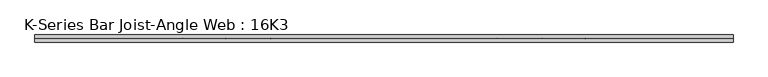
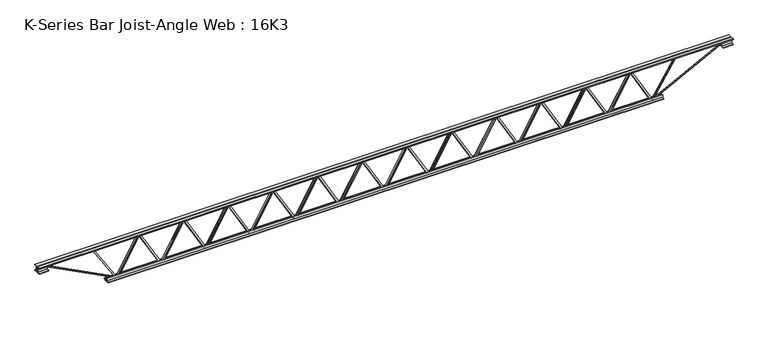
"""IFC4 building model written with IfcOpenShell, lengths in millimetres: beam geometry, K-Series Bar Joist-Angle Web : 16K3."""

from ifc_helpers import new_model, si_unit, frame, origin, place, context, project, spatial, polyline, outline, extrude, faceted_brep, source, transform, mapped, element, save


def k_series_bar_joist_angle_web_16k3_f1238ff3(model_context):
    return source(origin(), model_context, "Body", "SolidModel", [
        extrude(outline(polyline([(-4.7625, 4.7625001), (-4.7625, 0.0), (-17.4625, 0.0), (-17.4625, 4.7625001), (-4.7625, 4.7625001)])), frame((2266.1276376, 0.0, -165.1), z_axis=(-0.4951802750813243, 0.0, 0.8687902480866047), x_axis=(0.0, -1.0, 0.0)), (0.0, 0.0, 1.0), 380.0687228),
        extrude(outline(polyline([(-200.025, 2297.9182765), (-180.975, 2297.9182765), (-180.975, 2297.1028781), (200.025, 2079.9461073), (200.025, 2061.7115057), (180.975, 2061.7115057), (180.975, 2068.8769041), (-200.025, 2286.0336749), (-200.025, 2297.9182765)])), frame((0.0, 0.0, 0.0), z_axis=(0.0, 1.0, 0.0), x_axis=(0.0, 0.0, 1.0)), (0.0, 0.0, 1.0), 4.7625),
        faceted_brep([(1838.2047348, 0.0, -180.975), (1838.2047348, 0.0, -200.025), (1838.2047348, -4.7625, -200.025), (1838.2047348, -4.7625, -180.975), (1839.0201333, 0.0, -180.975), (2056.1769041, 0.0, 200.025), (2074.4115057, 0.0, 200.025), (2074.4115057, 0.0, 180.975), (2067.2461073, 0.0, 180.975), (1850.0893364, 0.0, -200.025), (1850.0893364, -4.7625, -200.025), (1869.9953738, -4.7625, -165.1), (1865.8577602, -4.7625, -162.7417039), (2054.0602949, -4.7625, 167.4582961), (2058.1979085, -4.7625, 165.1), (2067.2461073, -4.7625, 180.975), (2074.4115057, -4.7625, 180.975), (2074.4115057, -4.7625, 200.025), (2056.1769041, -4.7625, 200.025), (1839.0201333, -4.7625, -180.975), (2058.1979085, -17.4625, 165.1), (1869.9953738, -17.4625, -165.1), (1865.8577602, -17.4625, -162.7417039), (2054.0602949, -17.4625, 167.4582961)], [[[0, 1, 2, 3]], [[1, 0, 4, 5, 6, 7, 8, 9]], [[2, 1, 9, 10]], [[3, 2, 10, 11, 12, 13, 14, 15, 16, 17, 18, 19]], [[0, 3, 19, 4]], [[9, 8, 15, 14, 20, 21, 11, 10]], [[5, 4, 19, 18]], [[7, 6, 17, 16]], [[8, 7, 16, 15]], [[6, 5, 18, 17]], [[21, 22, 12, 11]], [[20, 14, 13, 23]], [[22, 21, 20, 23]], [[12, 22, 23, 13]]]),
        extrude(outline(polyline([(-4.7625, 4.7625001), (-4.7625, 0.0), (-17.4625, 0.0), (-17.4625, 4.7625001), (-4.7625, 4.7625001)])), frame((1806.5584141, 0.0, -165.1), z_axis=(-0.4951802750813243, 0.0, 0.8687902480866047), x_axis=(0.0, -1.0, 0.0)), (0.0, 0.0, 1.0), 380.0687228),
        extrude(outline(polyline([(-200.025, 1838.349053), (-180.975, 1838.349053), (-180.975, 1837.5336546), (200.025, 1620.3768838), (200.025, 1602.1422822), (180.975, 1602.1422822), (180.975, 1609.3076806), (-200.025, 1826.4644515), (-200.025, 1838.349053)])), frame((0.0, 0.0, 0.0), z_axis=(0.0, 1.0, 0.0), x_axis=(0.0, 0.0, 1.0)), (0.0, 0.0, 1.0), 4.7625),
        faceted_brep([(1378.6355114, 0.0, -180.975), (1378.6355114, 0.0, -200.025), (1378.6355114, -4.7625, -200.025), (1378.6355114, -4.7625, -180.975), (1379.4509098, 0.0, -180.975), (1596.6076806, 0.0, 200.025), (1614.8422822, 0.0, 200.025), (1614.8422822, 0.0, 180.975), (1607.6768838, 0.0, 180.975), (1390.5201129, 0.0, -200.025), (1390.5201129, -4.7625, -200.025), (1410.4261503, -4.7625, -165.1), (1406.2885367, -4.7625, -162.7417039), (1594.4910714, -4.7625, 167.4582961), (1598.628685, -4.7625, 165.1), (1607.6768838, -4.7625, 180.975), (1614.8422822, -4.7625, 180.975), (1614.8422822, -4.7625, 200.025), (1596.6076806, -4.7625, 200.025), (1379.4509098, -4.7625, -180.975), (1598.628685, -17.4625, 165.1), (1410.4261503, -17.4625, -165.1), (1406.2885367, -17.4625, -162.7417039), (1594.4910714, -17.4625, 167.4582961)], [[[0, 1, 2, 3]], [[1, 0, 4, 5, 6, 7, 8, 9]], [[2, 1, 9, 10]], [[3, 2, 10, 11, 12, 13, 14, 15, 16, 17, 18, 19]], [[0, 3, 19, 4]], [[9, 8, 15, 14, 20, 21, 11, 10]], [[5, 4, 19, 18]], [[7, 6, 17, 16]], [[8, 7, 16, 15]], [[6, 5, 18, 17]], [[21, 22, 12, 11]], [[20, 14, 13, 23]], [[22, 21, 20, 23]], [[12, 22, 23, 13]]]),
        extrude(outline(polyline([(-4.7625, 4.7625001), (-4.7625, 0.0), (-17.4625, 0.0), (-17.4625, 4.7625001), (-4.7625, 4.7625001)])), frame((1346.9891906, 0.0, -165.1), z_axis=(-0.4951802750813243, 0.0, 0.8687902480866047), x_axis=(0.0, -1.0, 0.0)), (0.0, 0.0, 1.0), 380.0687228),
        extrude(outline(polyline([(-200.025, 1378.7798295), (-180.975, 1378.7798295), (-180.975, 1377.9644311), (200.025, 1160.8076603), (200.025, 1142.5730587), (180.975, 1142.5730587), (180.975, 1149.7384571), (-200.025, 1366.895228), (-200.025, 1378.7798295)])), frame((0.0, 0.0, 0.0), z_axis=(0.0, 1.0, 0.0), x_axis=(0.0, 0.0, 1.0)), (0.0, 0.0, 1.0), 4.7625),
        faceted_brep([(919.0662879, 0.0, -180.975), (919.0662879, 0.0, -200.025), (919.0662879, -4.7625, -200.025), (919.0662879, -4.7625, -180.975), (919.8816863, 0.0, -180.975), (1137.0384571, 0.0, 200.025), (1155.2730587, 0.0, 200.025), (1155.2730587, 0.0, 180.975), (1148.1076603, 0.0, 180.975), (930.9508895, 0.0, -200.025), (930.9508895, -4.7625, -200.025), (950.8569268, -4.7625, -165.1), (946.7193132, -4.7625, -162.7417039), (1134.921848, -4.7625, 167.4582961), (1139.0594615, -4.7625, 165.1), (1148.1076603, -4.7625, 180.975), (1155.2730587, -4.7625, 180.975), (1155.2730587, -4.7625, 200.025), (1137.0384571, -4.7625, 200.025), (919.8816863, -4.7625, -180.975), (1139.0594615, -17.4625, 165.1), (950.8569268, -17.4625, -165.1), (946.7193132, -17.4625, -162.7417039), (1134.921848, -17.4625, 167.4582961)], [[[0, 1, 2, 3]], [[1, 0, 4, 5, 6, 7, 8, 9]], [[2, 1, 9, 10]], [[3, 2, 10, 11, 12, 13, 14, 15, 16, 17, 18, 19]], [[0, 3, 19, 4]], [[9, 8, 15, 14, 20, 21, 11, 10]], [[5, 4, 19, 18]], [[7, 6, 17, 16]], [[8, 7, 16, 15]], [[6, 5, 18, 17]], [[21, 22, 12, 11]], [[20, 14, 13, 23]], [[22, 21, 20, 23]], [[12, 22, 23, 13]]]),
        extrude(outline(polyline([(-4.7625, 4.7625), (-4.7625, 0.0), (-17.4625, 0.0), (-17.4625, 4.7625), (-4.7625, 4.7625)])), frame((887.4199672, 0.0, -165.1), z_axis=(-0.4951802750813243, 0.0, 0.8687902480866047), x_axis=(0.0, -1.0, 0.0)), (0.0, 0.0, 1.0), 380.0687228),
        extrude(outline(polyline([(-200.025, 919.2106061), (-180.975, 919.2106061), (-180.975, 918.3952076), (200.025, 701.2384368), (200.025, 683.0038352), (180.975, 683.0038352), (180.975, 690.1692336), (-200.025, 907.3260045), (-200.025, 919.2106061)])), frame((0.0, 0.0, 0.0), z_axis=(0.0, 1.0, 0.0), x_axis=(0.0, 0.0, 1.0)), (0.0, 0.0, 1.0), 4.7625),
        faceted_brep([(459.4970644, 0.0, -180.975), (459.4970644, 0.0, -200.025), (459.4970644, -4.7625, -200.025), (459.4970644, -4.7625, -180.975), (460.3124628, 0.0, -180.975), (677.4692336, 0.0, 200.025), (695.7038352, 0.0, 200.025), (695.7038352, 0.0, 180.975), (688.5384368, 0.0, 180.975), (471.381666, 0.0, -200.025), (471.381666, -4.7625, -200.025), (491.2877033, -4.7625, -165.1), (487.1500897, -4.7625, -162.7417039), (675.3526245, -4.7625, 167.4582961), (679.490238, -4.7625, 165.1), (688.5384368, -4.7625, 180.975), (695.7038352, -4.7625, 180.975), (695.7038352, -4.7625, 200.025), (677.4692336, -4.7625, 200.025), (460.3124628, -4.7625, -180.975), (679.490238, -17.4625, 165.1), (491.2877033, -17.4625, -165.1), (487.1500897, -17.4625, -162.7417039), (675.3526245, -17.4625, 167.4582961)], [[[0, 1, 2, 3]], [[1, 0, 4, 5, 6, 7, 8, 9]], [[2, 1, 9, 10]], [[3, 2, 10, 11, 12, 13, 14, 15, 16, 17, 18, 19]], [[0, 3, 19, 4]], [[9, 8, 15, 14, 20, 21, 11, 10]], [[5, 4, 19, 18]], [[7, 6, 17, 16]], [[8, 7, 16, 15]], [[6, 5, 18, 17]], [[21, 22, 12, 11]], [[20, 14, 13, 23]], [[22, 21, 20, 23]], [[12, 22, 23, 13]]]),
        extrude(outline(polyline([(-4.7625, 4.7625), (-4.7625, 0.0), (-17.4625, 0.0), (-17.4625, 4.7625), (-4.7625, 4.7625)])), frame((427.8507437, 0.0, -165.1), z_axis=(-0.4951802750813243, 0.0, 0.8687902480866047), x_axis=(0.0, -1.0, 0.0)), (0.0, 0.0, 1.0), 380.0687228),
        extrude(outline(polyline([(-200.025, 459.6413826), (-180.975, 459.6413826), (-180.975, 458.8259842), (200.025, 241.6692133), (200.025, 223.4346117), (180.975, 223.4346117), (180.975, 230.6000102), (-200.025, 447.756781), (-200.025, 459.6413826)])), frame((0.0, 0.0, 0.0), z_axis=(0.0, 1.0, 0.0), x_axis=(0.0, 0.0, 1.0)), (0.0, 0.0, 1.0), 4.7625),
        faceted_brep([(-0.0721591, 0.0, -180.975), (-0.0721591, 0.0, -200.025), (-0.0721591, -4.7625, -200.025), (-0.0721591, -4.7625, -180.975), (0.7432393, 0.0, -180.975), (217.9000102, 0.0, 200.025), (236.1346117, 0.0, 200.025), (236.1346117, 0.0, 180.975), (228.9692133, 0.0, 180.975), (11.8124425, 0.0, -200.025), (11.8124425, -4.7625, -200.025), (31.7184798, -4.7625, -165.1), (27.5808663, -4.7625, -162.7417039), (215.783401, -4.7625, 167.4582961), (219.9210145, -4.7625, 165.1), (228.9692133, -4.7625, 180.975), (236.1346117, -4.7625, 180.975), (236.1346117, -4.7625, 200.025), (217.9000102, -4.7625, 200.025), (0.7432393, -4.7625, -180.975), (219.9210145, -17.4625, 165.1), (31.7184798, -17.4625, -165.1), (27.5808663, -17.4625, -162.7417039), (215.783401, -17.4625, 167.4582961)], [[[0, 1, 2, 3]], [[1, 0, 4, 5, 6, 7, 8, 9]], [[2, 1, 9, 10]], [[3, 2, 10, 11, 12, 13, 14, 15, 16, 17, 18, 19]], [[0, 3, 19, 4]], [[9, 8, 15, 14, 20, 21, 11, 10]], [[5, 4, 19, 18]], [[7, 6, 17, 16]], [[8, 7, 16, 15]], [[6, 5, 18, 17]], [[21, 22, 12, 11]], [[20, 14, 13, 23]], [[22, 21, 20, 23]], [[12, 22, 23, 13]]]),
        extrude(outline(polyline([(-4.7625, 4.7625), (-4.7625, 0.0), (-17.4625, 0.0), (-17.4625, 4.7625), (-4.7625, 4.7625)])), frame((-31.7184798, 0.0, -165.1), z_axis=(-0.4951802750813243, 0.0, 0.8687902480866047), x_axis=(0.0, -1.0, 0.0)), (0.0, 0.0, 1.0), 380.0687228),
        extrude(outline(polyline([(-200.025, 0.0721591), (-180.975, 0.0721591), (-180.975, -0.7432393), (200.025, -217.9000102), (200.025, -236.1346117), (180.975, -236.1346117), (180.975, -228.9692133), (-200.025, -11.8124425), (-200.025, 0.0721591)])), frame((0.0, 0.0, 0.0), z_axis=(0.0, 1.0, 0.0), x_axis=(0.0, 0.0, 1.0)), (0.0, 0.0, 1.0), 4.7625),
        faceted_brep([(-459.6413826, 0.0, -180.975), (-459.6413826, 0.0, -200.025), (-459.6413826, -4.7625, -200.025), (-459.6413826, -4.7625, -180.975), (-458.8259842, 0.0, -180.975), (-241.6692133, 0.0, 200.025), (-223.4346117, 0.0, 200.025), (-223.4346117, 0.0, 180.975), (-230.6000102, 0.0, 180.975), (-447.756781, 0.0, -200.025), (-447.756781, -4.7625, -200.025), (-427.8507437, -4.7625, -165.1), (-431.9883572, -4.7625, -162.7417039), (-243.7858225, -4.7625, 167.4582961), (-239.6482089, -4.7625, 165.1), (-230.6000102, -4.7625, 180.975), (-223.4346117, -4.7625, 180.975), (-223.4346117, -4.7625, 200.025), (-241.6692133, -4.7625, 200.025), (-458.8259842, -4.7625, -180.975), (-239.6482089, -17.4625, 165.1), (-427.8507437, -17.4625, -165.1), (-431.9883572, -17.4625, -162.7417039), (-243.7858225, -17.4625, 167.4582961)], [[[0, 1, 2, 3]], [[1, 0, 4, 5, 6, 7, 8, 9]], [[2, 1, 9, 10]], [[3, 2, 10, 11, 12, 13, 14, 15, 16, 17, 18, 19]], [[0, 3, 19, 4]], [[9, 8, 15, 14, 20, 21, 11, 10]], [[5, 4, 19, 18]], [[7, 6, 17, 16]], [[8, 7, 16, 15]], [[6, 5, 18, 17]], [[21, 22, 12, 11]], [[20, 14, 13, 23]], [[22, 21, 20, 23]], [[12, 22, 23, 13]]]),
        extrude(outline(polyline([(-4.7625, 4.7625001), (-4.7625, 0.0), (-17.4625, 0.0), (-17.4625, 4.7625001), (-4.7625, 4.7625001)])), frame((-491.2877033, 0.0, -165.1), z_axis=(-0.4951802750813243, 0.0, 0.8687902480866047), x_axis=(0.0, -1.0, 0.0)), (0.0, 0.0, 1.0), 380.0687228),
        extrude(outline(polyline([(-200.025, -459.4970644), (-180.975, -459.4970644), (-180.975, -460.3124628), (200.025, -677.4692336), (200.025, -695.7038352), (180.975, -695.7038352), (180.975, -688.5384368), (-200.025, -471.381666), (-200.025, -459.4970644)])), frame((0.0, 0.0, 0.0), z_axis=(0.0, 1.0, 0.0), x_axis=(0.0, 0.0, 1.0)), (0.0, 0.0, 1.0), 4.7625),
        faceted_brep([(-919.2106061, 0.0, -180.975), (-919.2106061, 0.0, -200.025), (-919.2106061, -4.7625, -200.025), (-919.2106061, -4.7625, -180.975), (-918.3952076, 0.0, -180.975), (-701.2384368, 0.0, 200.025), (-683.0038352, 0.0, 200.025), (-683.0038352, 0.0, 180.975), (-690.1692336, 0.0, 180.975), (-907.3260045, 0.0, -200.025), (-907.3260045, -4.7625, -200.025), (-887.4199672, -4.7625, -165.1), (-891.5575807, -4.7625, -162.7417039), (-703.355046, -4.7625, 167.4582961), (-699.2174324, -4.7625, 165.1), (-690.1692336, -4.7625, 180.975), (-683.0038352, -4.7625, 180.975), (-683.0038352, -4.7625, 200.025), (-701.2384368, -4.7625, 200.025), (-918.3952076, -4.7625, -180.975), (-699.2174324, -17.4625, 165.1), (-887.4199672, -17.4625, -165.1), (-891.5575807, -17.4625, -162.7417039), (-703.355046, -17.4625, 167.4582961)], [[[0, 1, 2, 3]], [[1, 0, 4, 5, 6, 7, 8, 9]], [[2, 1, 9, 10]], [[3, 2, 10, 11, 12, 13, 14, 15, 16, 17, 18, 19]], [[0, 3, 19, 4]], [[9, 8, 15, 14, 20, 21, 11, 10]], [[5, 4, 19, 18]], [[7, 6, 17, 16]], [[8, 7, 16, 15]], [[6, 5, 18, 17]], [[21, 22, 12, 11]], [[20, 14, 13, 23]], [[22, 21, 20, 23]], [[12, 22, 23, 13]]]),
        extrude(outline(polyline([(-4.7625, 4.7625001), (-4.7625, 0.0), (-17.4625, 0.0), (-17.4625, 4.7625001), (-4.7625, 4.7625001)])), frame((-950.8569268, 0.0, -165.1), z_axis=(-0.4951802750813243, 0.0, 0.8687902480866047), x_axis=(0.0, -1.0, 0.0)), (0.0, 0.0, 1.0), 380.0687228),
        extrude(outline(polyline([(-200.025, -919.0662879), (-180.975, -919.0662879), (-180.975, -919.8816863), (200.025, -1137.0384571), (200.025, -1155.2730587), (180.975, -1155.2730587), (180.975, -1148.1076603), (-200.025, -930.9508895), (-200.025, -919.0662879)])), frame((0.0, 0.0, 0.0), z_axis=(0.0, 1.0, 0.0), x_axis=(0.0, 0.0, 1.0)), (0.0, 0.0, 1.0), 4.7625),
        faceted_brep([(-1378.7798295, 0.0, -180.975), (-1378.7798295, 0.0, -200.025), (-1378.7798295, -4.7625, -200.025), (-1378.7798295, -4.7625, -180.975), (-1377.9644311, 0.0, -180.975), (-1160.8076603, 0.0, 200.025), (-1142.5730587, 0.0, 200.025), (-1142.5730587, 0.0, 180.975), (-1149.7384571, 0.0, 180.975), (-1366.895228, 0.0, -200.025), (-1366.895228, -4.7625, -200.025), (-1346.9891906, -4.7625, -165.1), (-1351.1268042, -4.7625, -162.7417039), (-1162.9242695, -4.7625, 167.4582961), (-1158.7866559, -4.7625, 165.1), (-1149.7384571, -4.7625, 180.975), (-1142.5730587, -4.7625, 180.975), (-1142.5730587, -4.7625, 200.025), (-1160.8076603, -4.7625, 200.025), (-1377.9644311, -4.7625, -180.975), (-1158.7866559, -17.4625, 165.1), (-1346.9891906, -17.4625, -165.1), (-1351.1268042, -17.4625, -162.7417039), (-1162.9242695, -17.4625, 167.4582961)], [[[0, 1, 2, 3]], [[1, 0, 4, 5, 6, 7, 8, 9]], [[2, 1, 9, 10]], [[3, 2, 10, 11, 12, 13, 14, 15, 16, 17, 18, 19]], [[0, 3, 19, 4]], [[9, 8, 15, 14, 20, 21, 11, 10]], [[5, 4, 19, 18]], [[7, 6, 17, 16]], [[8, 7, 16, 15]], [[6, 5, 18, 17]], [[21, 22, 12, 11]], [[20, 14, 13, 23]], [[22, 21, 20, 23]], [[12, 22, 23, 13]]]),
        extrude(outline(polyline([(-4.7625, 4.7625001), (-4.7625, 0.0), (-17.4625, 0.0), (-17.4625, 4.7625001), (-4.7625, 4.7625001)])), frame((-1410.4261503, 0.0, -165.1), z_axis=(-0.4951802750813243, 0.0, 0.8687902480866047), x_axis=(0.0, -1.0, 0.0)), (0.0, 0.0, 1.0), 380.0687228),
        extrude(outline(polyline([(-200.025, -1378.6355114), (-180.975, -1378.6355114), (-180.975, -1379.4509098), (200.025, -1596.6076806), (200.025, -1614.8422822), (180.975, -1614.8422822), (180.975, -1607.6768838), (-200.025, -1390.5201129), (-200.025, -1378.6355114)])), frame((0.0, 0.0, 0.0), z_axis=(0.0, 1.0, 0.0), x_axis=(0.0, 0.0, 1.0)), (0.0, 0.0, 1.0), 4.7625),
        faceted_brep([(-1838.349053, 0.0, -180.975), (-1838.349053, 0.0, -200.025), (-1838.349053, -4.7625, -200.025), (-1838.349053, -4.7625, -180.975), (-1837.5336546, 0.0, -180.975), (-1620.3768838, 0.0, 200.025), (-1602.1422822, 0.0, 200.025), (-1602.1422822, 0.0, 180.975), (-1609.3076806, 0.0, 180.975), (-1826.4644515, 0.0, -200.025), (-1826.4644515, -4.7625, -200.025), (-1806.5584141, -4.7625, -165.1), (-1810.6960277, -4.7625, -162.7417039), (-1622.493493, -4.7625, 167.4582961), (-1618.3558794, -4.7625, 165.1), (-1609.3076806, -4.7625, 180.975), (-1602.1422822, -4.7625, 180.975), (-1602.1422822, -4.7625, 200.025), (-1620.3768838, -4.7625, 200.025), (-1837.5336546, -4.7625, -180.975), (-1618.3558794, -17.4625, 165.1), (-1806.5584141, -17.4625, -165.1), (-1810.6960277, -17.4625, -162.7417039), (-1622.493493, -17.4625, 167.4582961)], [[[0, 1, 2, 3]], [[1, 0, 4, 5, 6, 7, 8, 9]], [[2, 1, 9, 10]], [[3, 2, 10, 11, 12, 13, 14, 15, 16, 17, 18, 19]], [[0, 3, 19, 4]], [[9, 8, 15, 14, 20, 21, 11, 10]], [[5, 4, 19, 18]], [[7, 6, 17, 16]], [[8, 7, 16, 15]], [[6, 5, 18, 17]], [[21, 22, 12, 11]], [[20, 14, 13, 23]], [[22, 21, 20, 23]], [[12, 22, 23, 13]]]),
        extrude(outline(polyline([(-4.7625, 4.7625001), (-4.7625, 0.0), (-17.4625, 0.0), (-17.4625, 4.7625001), (-4.7625, 4.7625001)])), frame((-1869.9953738, 0.0, -165.1), z_axis=(-0.4951802750813243, 0.0, 0.8687902480866047), x_axis=(0.0, -1.0, 0.0)), (0.0, 0.0, 1.0), 380.0687228),
        extrude(outline(polyline([(-200.025, -1838.2047348), (-180.975, -1838.2047348), (-180.975, -1839.0201333), (200.025, -2056.1769041), (200.025, -2074.4115057), (180.975, -2074.4115057), (180.975, -2067.2461073), (-200.025, -1850.0893364), (-200.025, -1838.2047348)])), frame((0.0, 0.0, 0.0), z_axis=(0.0, 1.0, 0.0), x_axis=(0.0, 0.0, 1.0)), (0.0, 0.0, 1.0), 4.7625),
        faceted_brep([(-2297.9182765, 0.0, -180.975), (-2297.9182765, 0.0, -200.025), (-2297.9182765, -4.7625, -200.025), (-2297.9182765, -4.7625, -180.975), (-2297.1028781, 0.0, -180.975), (-2079.9461073, 0.0, 200.025), (-2061.7115057, 0.0, 200.025), (-2061.7115057, 0.0, 180.975), (-2068.8769041, 0.0, 180.975), (-2286.0336749, 0.0, -200.025), (-2286.0336749, -4.7625, -200.025), (-2266.1276376, -4.7625, -165.1), (-2270.2652512, -4.7625, -162.7417039), (-2082.0627164, -4.7625, 167.4582961), (-2077.9251029, -4.7625, 165.1), (-2068.8769041, -4.7625, 180.975), (-2061.7115057, -4.7625, 180.975), (-2061.7115057, -4.7625, 200.025), (-2079.9461073, -4.7625, 200.025), (-2297.1028781, -4.7625, -180.975), (-2077.9251029, -17.4625, 165.1), (-2266.1276376, -17.4625, -165.1), (-2270.2652512, -17.4625, -162.7417039), (-2082.0627164, -17.4625, 167.4582961)], [[[0, 1, 2, 3]], [[1, 0, 4, 5, 6, 7, 8, 9]], [[2, 1, 9, 10]], [[3, 2, 10, 11, 12, 13, 14, 15, 16, 17, 18, 19]], [[0, 3, 19, 4]], [[9, 8, 15, 14, 20, 21, 11, 10]], [[5, 4, 19, 18]], [[7, 6, 17, 16]], [[8, 7, 16, 15]], [[6, 5, 18, 17]], [[21, 22, 12, 11]], [[20, 14, 13, 23]], [[22, 21, 20, 23]], [[12, 22, 23, 13]]]),
        extrude(outline(polyline([(-4.7625, 4.7625001), (-4.7625, 0.0), (-17.4625, 0.0), (-17.4625, 4.7625001), (-4.7625, 4.7625001)])), frame((2725.6968611, 0.0, -165.1), z_axis=(-0.4951802750813243, 0.0, 0.8687902480866047), x_axis=(0.0, -1.0, 0.0)), (0.0, 0.0, 1.0), 380.0687228),
        extrude(outline(polyline([(-200.025, 2757.4875), (-180.975, 2757.4875), (-180.975, 2756.6721016), (200.025, 2539.5153307), (200.025, 2521.2807292), (180.975, 2521.2807292), (180.975, 2528.4461276), (-200.025, 2745.6028984), (-200.025, 2757.4875)])), frame((0.0, 0.0, 0.0), z_axis=(0.0, 1.0, 0.0), x_axis=(0.0, 0.0, 1.0)), (0.0, 0.0, 1.0), 4.7625),
        faceted_brep([(2297.7739583, 0.0, -180.975), (2297.7739583, 0.0, -200.025), (2297.7739583, -4.7625, -200.025), (2297.7739583, -4.7625, -180.975), (2298.5893568, 0.0, -180.975), (2515.7461276, 0.0, 200.025), (2533.9807292, 0.0, 200.025), (2533.9807292, 0.0, 180.975), (2526.8153307, 0.0, 180.975), (2309.6585599, 0.0, -200.025), (2309.6585599, -4.7625, -200.025), (2329.5645972, -4.7625, -165.1), (2325.4269837, -4.7625, -162.7417039), (2513.6295184, -4.7625, 167.4582961), (2517.767132, -4.7625, 165.1), (2526.8153307, -4.7625, 180.975), (2533.9807292, -4.7625, 180.975), (2533.9807292, -4.7625, 200.025), (2515.7461276, -4.7625, 200.025), (2298.5893568, -4.7625, -180.975), (2517.767132, -17.4625, 165.1), (2329.5645972, -17.4625, -165.1), (2325.4269837, -17.4625, -162.7417039), (2513.6295184, -17.4625, 167.4582961)], [[[0, 1, 2, 3]], [[1, 0, 4, 5, 6, 7, 8, 9]], [[2, 1, 9, 10]], [[3, 2, 10, 11, 12, 13, 14, 15, 16, 17, 18, 19]], [[0, 3, 19, 4]], [[9, 8, 15, 14, 20, 21, 11, 10]], [[5, 4, 19, 18]], [[7, 6, 17, 16]], [[8, 7, 16, 15]], [[6, 5, 18, 17]], [[21, 22, 12, 11]], [[20, 14, 13, 23]], [[22, 21, 20, 23]], [[12, 22, 23, 13]]]),
        extrude(outline(polyline([(-4.7625, 4.7625), (-4.7625, 0.0), (-17.4625, 0.0), (-17.4625, 4.7625), (-4.7625, 4.7625)])), frame((-2329.5645972, 0.0, -165.1), z_axis=(-0.4951802750813243, 0.0, 0.8687902480866047), x_axis=(0.0, -1.0, 0.0)), (0.0, 0.0, 1.0), 380.0687228),
        extrude(outline(polyline([(-200.025, -2297.7739583), (-180.975, -2297.7739583), (-180.975, -2298.5893568), (200.025, -2515.7461276), (200.025, -2533.9807292), (180.975, -2533.9807292), (180.975, -2526.8153307), (-200.025, -2309.6585599), (-200.025, -2297.7739583)])), frame((0.0, 0.0, 0.0), z_axis=(0.0, 1.0, 0.0), x_axis=(0.0, 0.0, 1.0)), (0.0, 0.0, 1.0), 4.7625),
        faceted_brep([(-2757.4875, 0.0, -180.975), (-2757.4875, 0.0, -200.025), (-2757.4875, -4.7625, -200.025), (-2757.4875, -4.7625, -180.975), (-2756.6721016, 0.0, -180.975), (-2539.5153307, 0.0, 200.025), (-2521.2807292, 0.0, 200.025), (-2521.2807292, 0.0, 180.975), (-2528.4461276, 0.0, 180.975), (-2745.6028984, 0.0, -200.025), (-2745.6028984, -4.7625, -200.025), (-2725.6968611, -4.7625, -165.1), (-2729.8344746, -4.7625, -162.7417039), (-2541.6319399, -4.7625, 167.4582961), (-2537.4943264, -4.7625, 165.1), (-2528.4461276, -4.7625, 180.975), (-2521.2807292, -4.7625, 180.975), (-2521.2807292, -4.7625, 200.025), (-2539.5153307, -4.7625, 200.025), (-2756.6721016, -4.7625, -180.975), (-2537.4943264, -17.4625, 165.1), (-2725.6968611, -17.4625, -165.1), (-2729.8344746, -17.4625, -162.7417039), (-2541.6319399, -17.4625, 167.4582961)], [[[0, 1, 2, 3]], [[1, 0, 4, 5, 6, 7, 8, 9]], [[2, 1, 9, 10]], [[3, 2, 10, 11, 12, 13, 14, 15, 16, 17, 18, 19]], [[0, 3, 19, 4]], [[9, 8, 15, 14, 20, 21, 11, 10]], [[5, 4, 19, 18]], [[7, 6, 17, 16]], [[8, 7, 16, 15]], [[6, 5, 18, 17]], [[21, 22, 12, 11]], [[20, 14, 13, 23]], [[22, 21, 20, 23]], [[12, 22, 23, 13]]]),
        extrude(outline(polyline([(4.7625, 203.2), (36.5125, 203.2), (36.5125, 196.85), (11.1125, 196.85), (11.1125, 171.45), (4.7625, 171.45), (4.7625, 203.2)])), frame((-3570.2875, 0.0, 0.0), z_axis=(1.0, 0.0, 0.0), x_axis=(0.0, 1.0, 0.0)), (0.0, 0.0, 1.0), 7140.575),
        extrude(outline(polyline([(-4.7625, 203.2), (-4.7625, 171.45), (-11.1125, 171.45), (-11.1125, 196.85), (-36.5125, 196.85), (-36.5125, 203.2), (-4.7625, 203.2)])), frame((-3570.2875, 0.0, 0.0), z_axis=(1.0, 0.0, 0.0), x_axis=(0.0, 1.0, 0.0)), (0.0, 0.0, 1.0), 7140.575),
        extrude(outline(polyline([(-4.7625, 139.7), (-36.5125, 139.7), (-36.5125, 146.05), (-11.1125, 146.05), (-11.1125, 171.45), (-4.7625, 171.45), (-4.7625, 139.7)])), frame((-3570.2875, 0.0, 0.0), z_axis=(1.0, 0.0, 0.0), x_axis=(0.0, 1.0, 0.0)), (0.0, 0.0, 1.0), 101.6),
        extrude(outline(polyline([(36.5125, 139.7), (4.7625, 139.7), (4.7625, 171.45), (11.1125, 171.45), (11.1125, 146.05), (36.5125, 146.05), (36.5125, 139.7)])), frame((-3570.2875, 0.0, 0.0), z_axis=(1.0, 0.0, 0.0), x_axis=(0.0, 1.0, 0.0)), (0.0, 0.0, 1.0), 101.6),
        extrude(outline(polyline([(4.7625, 139.7), (4.7625, 171.45), (11.1125, 171.45), (11.1125, 146.05), (36.5125, 146.05), (36.5125, 139.7), (4.7625, 139.7)])), frame((3468.6875, 0.0, 0.0), z_axis=(1.0, 0.0, 0.0), x_axis=(0.0, 1.0, 0.0)), (0.0, 0.0, 1.0), 101.6),
        extrude(outline(polyline([(-4.7625, 139.7), (-36.5125, 139.7), (-36.5125, 146.05), (-11.1125, 146.05), (-11.1125, 171.45), (-4.7625, 171.45), (-4.7625, 139.7)])), frame((3468.6875, 0.0, 0.0), z_axis=(1.0, 0.0, 0.0), x_axis=(0.0, 1.0, 0.0)), (0.0, 0.0, 1.0), 101.6),
        extrude(outline(polyline([(4.7625, -203.2), (4.7625, -171.45), (11.1125, -171.45), (11.1125, -196.85), (36.5125, -196.85), (36.5125, -203.2), (4.7625, -203.2)])), frame((-2859.0875, 0.0, 0.0), z_axis=(1.0, 0.0, 0.0), x_axis=(0.0, 1.0, 0.0)), (0.0, 0.0, 1.0), 5718.175),
        extrude(outline(polyline([(-4.7625, -203.2), (-36.5125, -203.2), (-36.5125, -196.85), (-11.1125, -196.85), (-11.1125, -171.45), (-4.7625, -171.45), (-4.7625, -203.2)])), frame((-2859.0875, 0.0, 0.0), z_axis=(1.0, 0.0, 0.0), x_axis=(0.0, 1.0, 0.0)), (0.0, 0.0, 1.0), 5718.175),
        extrude(outline(polyline([(4.7625, 4.7625), (4.7625, -4.7625), (-4.7625, -4.7625), (-4.7625, 4.7625), (4.7625, 4.7625)])), frame((2757.4875, 0.0, -196.85), z_axis=(0.5294510181586265, 0.0, 0.8483405090945462), x_axis=(0.0, -1.0, 0.0)), (0.0, 0.0, 1.0), 434.1417108),
        extrude(outline(polyline([(4.7625, 4.7625), (4.7625, -4.7625), (-4.7625, -4.7625), (-4.7625, 4.7625), (4.7625, 4.7625)])), frame((-2757.4875, 0.0, -196.85), z_axis=(-0.5294510181585962, 0.0, 0.8483405090945652), x_axis=(0.0, -1.0, 0.0)), (0.0, 0.0, 1.0), 434.1417108),
        extrude(outline(polyline([(0.0, -9.525), (0.0, 0.0), (800.9059433, 0.0), (800.9059433, -9.525), (0.0, -9.525)])), frame((3470.8775559, -4.7625, 167.2209266), z_axis=(-0.45985424766101624, 0.0, 0.8879944092775138), x_axis=(-0.8879944092775138, 0.0, -0.45985424766101624)), (0.0, 0.0, 1.0), 9.525),
        extrude(outline(polyline([(0.0, -9.525), (0.0, 0.0), (800.9059433, 0.0), (800.9059433, -9.525), (0.0, -9.525)])), frame((-3470.8775559, 4.7625, 167.2209266), z_axis=(0.4598542476610135, 0.0, 0.8879944092775153), x_axis=(0.8879944092775153, 0.0, -0.4598542476610135)), (0.0, 0.0, 1.0), 9.525),
    ])


if __name__ == "__main__":
    model = new_model("IFC4")
    model_context = context("Model", 3, world=origin())
    ifc_project = project(units=[si_unit("LENGTHUNIT", "METRE", prefix="MILLI")], contexts=[model_context])
    site = spatial("IfcSite", under=ifc_project)
    building = spatial("IfcBuilding", under=site)
    placement = place(None, origin())
    k_series_bar_joist_angle_web_16k3_shape = k_series_bar_joist_angle_web_16k3_f1238ff3(model_context)
    element("IfcBeam", 1, ObjectType="K-Series Bar Joist-Angle Web : 16K3", at=placement, inside=building, context=model_context, shape_type="MappedRepresentation", body=[
        mapped(k_series_bar_joist_angle_web_16k3_shape, transform((0.0, 0.0, 0.0), x_axis=(1.0, 0.0, 0.0), y_axis=(0.0, 1.0, 0.0), z_axis=(0.0, 0.0, 1.0))),
    ])
    save(model, "model.ifc")
